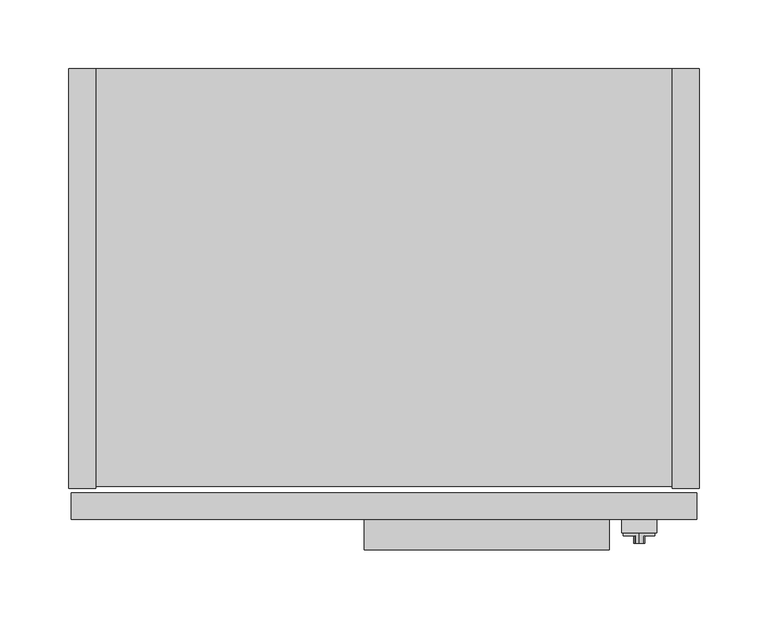
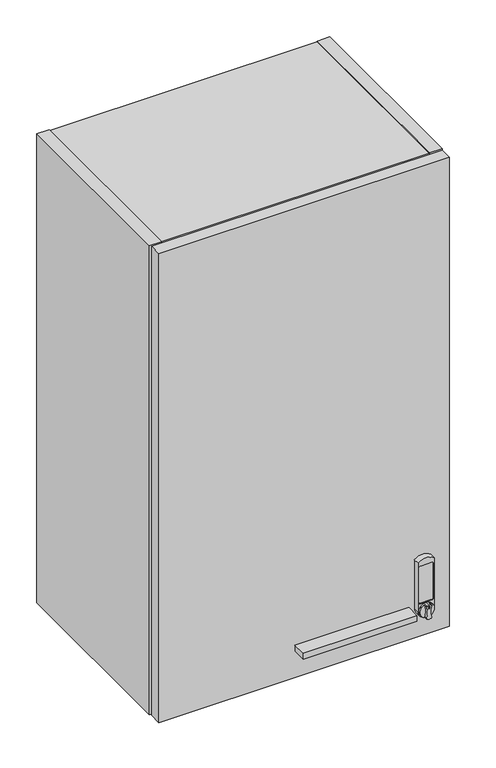
"""IFC4 building model written with IfcOpenShell, lengths in millimetres: furniture geometry."""

from ifc_helpers import new_model, si_unit, point, frame, frame_2d, origin, place, context, project, spatial, polyline, circle_curve, trimmed, segment, composite_curve, outline, extrude, source, transform, mapped, element, save
from ifc_brep_helpers import plane_surface, cylinder_surface, revolved_surface, advanced_brep


def furniture_3e39ebc3(model_context):
    return source(origin(), model_context, "Body", "SolidModel", [
        advanced_brep(
        [(413.7025, -344.551, 2244.5791484), (410.748813, -344.551, 2244.1909161), (409.8355336, -344.551, 2242.4339969), (409.8053845, -344.551, 2223.3009499), (410.748813, -344.551, 2222.1073808), (413.7025, -344.551, 2221.7191484), (416.656187, -344.551, 2222.1073808), (417.5996155, -344.551, 2223.3009499), (417.5694664, -344.551, 2242.4339969), (416.656187, -344.551, 2244.1909161), (412.9405, -344.551, 2242.5617878), (414.4645, -344.551, 2242.5617878), (414.4645, -344.551, 2239.2712263), (412.9405, -344.551, 2239.2712263), (413.7025, -336.931, 2244.5791484), (413.7025, -336.931, 2221.7191484), (416.656187, -339.1034403, 2244.1909161), (416.656187, -339.1034403, 2222.1073808), (410.748813, -339.1034403, 2222.1073808), (410.748813, -339.1034403, 2244.1909161), (409.8053845, -339.1034403, 2223.3009499), (409.8355336, -339.1034403, 2242.4339969), (417.5996155, -339.1034403, 2223.3009499), (417.5694664, -339.1034403, 2242.4339969), (412.9405, -343.3268699, 2239.2712263), (414.4645, -343.3268699, 2239.2712263), (414.4645, -343.3268699, 2242.5617878), (412.9405, -343.3268699, 2242.5617878)],
        [
            (0, 1, circle_curve(frame((413.7025, -344.551, 2233.1491484), z_axis=(0.0, -1.0, 0.0), x_axis=(0.0, 0.0, -1.0)), 11.43)),
            (1, 2, circle_curve(frame((411.28904, -344.551, 2242.7942665), z_axis=(0.0, -1.0, 0.0), x_axis=(0.0, 0.0, -1.0)), 1.4974896)),
            (2, 3, circle_curve(frame((371.4831576, -344.551, 2232.9278836), z_axis=(0.0, 1.0, 0.0), x_axis=(0.0, 0.0, -1.0)), 39.512921)),
            (3, 4, circle_curve(frame((411.28904, -344.551, 2223.5040303), z_axis=(0.0, -1.0, 0.0), x_axis=(0.0, 0.0, -1.0)), 1.4974896)),
            (4, 5, circle_curve(frame((413.7025, -344.551, 2233.1491484), z_axis=(0.0, -1.0, 0.0), x_axis=(0.0, 0.0, -1.0)), 11.43)),
            (5, 6, circle_curve(frame((413.7025, -344.551, 2233.1491484), z_axis=(0.0, -1.0, 0.0), x_axis=(0.0, 0.0, -1.0)), 11.43)),
            (6, 7, circle_curve(frame((416.11596, -344.551, 2223.5040303), z_axis=(0.0, -1.0, 0.0), x_axis=(0.0, 0.0, -1.0)), 1.4974896)),
            (7, 8, circle_curve(frame((455.9218424, -344.551, 2232.9278836), z_axis=(0.0, 1.0, 0.0), x_axis=(0.0, 0.0, -1.0)), 39.512921)),
            (8, 9, circle_curve(frame((416.11596, -344.551, 2242.7942665), z_axis=(0.0, -1.0, 0.0), x_axis=(0.0, 0.0, -1.0)), 1.4974896)),
            (9, 0, circle_curve(frame((413.7025, -344.551, 2233.1491484), z_axis=(0.0, -1.0, 0.0), x_axis=(0.0, 0.0, -1.0)), 11.43)),
            (10, 11, circle_curve(frame((413.7025, -344.551, 2242.5617878), z_axis=(0.0, 1.0, 0.0), x_axis=(0.0, 0.0, -1.0)), 0.762)),
            (11, 12),
            (12, 13, circle_curve(frame((413.7025, -344.551, 2239.2712263), z_axis=(0.0, 1.0, 0.0), x_axis=(0.0, 0.0, 1.0)), 0.762)),
            (13, 10),
            (14, 15, circle_curve(frame((413.7025, -336.931, 2233.1491484), z_axis=(0.0, 1.0, 0.0), x_axis=(0.0, 0.0, -1.0)), 11.43)),
            (15, 14, circle_curve(frame((413.7025, -336.931, 2233.1491484), z_axis=(0.0, 1.0, 0.0), x_axis=(0.0, 0.0, -1.0)), 11.43)),
            (14, 0),
            (9, 16),
            (16, 17, circle_curve(frame((413.7025, -339.1034403, 2233.1491484), z_axis=(0.0, 1.0, 0.0), x_axis=(0.0, 0.0, -1.0)), 11.43)),
            (17, 6),
            (5, 15),
            (4, 18),
            (18, 19, circle_curve(frame((413.7025, -339.1034403, 2233.1491484), z_axis=(0.0, 1.0, 0.0), x_axis=(0.0, 0.0, -1.0)), 11.43)),
            (19, 1),
            (20, 21, circle_curve(frame((371.4831576, -339.1034403, 2232.9278836), z_axis=(0.0, -1.0, 0.0), x_axis=(0.0, 0.0, -1.0)), 39.512921)),
            (21, 19, circle_curve(frame((411.28904, -339.1034403, 2242.7942665), z_axis=(0.0, 1.0, 0.0), x_axis=(0.0, 0.0, -1.0)), 1.4974896)),
            (18, 20, circle_curve(frame((411.28904, -339.1034403, 2223.5040303), z_axis=(0.0, 1.0, 0.0), x_axis=(0.0, 0.0, -1.0)), 1.4974896)),
            (22, 17, circle_curve(frame((416.11596, -339.1034403, 2223.5040303), z_axis=(0.0, 1.0, 0.0), x_axis=(0.0, 0.0, -1.0)), 1.4974896)),
            (16, 23, circle_curve(frame((416.11596, -339.1034403, 2242.7942665), z_axis=(0.0, 1.0, 0.0), x_axis=(0.0, 0.0, -1.0)), 1.4974896)),
            (23, 22, circle_curve(frame((455.9218424, -339.1034403, 2232.9278836), z_axis=(0.0, -1.0, 0.0), x_axis=(0.0, 0.0, -1.0)), 39.512921)),
            (3, 20),
            (21, 2),
            (23, 8),
            (7, 22),
            (24, 25, circle_curve(frame((413.7025, -343.3268699, 2239.2712263), z_axis=(0.0, -1.0, 0.0), x_axis=(0.0, 0.0, 1.0)), 0.762)),
            (25, 26),
            (26, 27, circle_curve(frame((413.7025, -343.3268699, 2242.5617878), z_axis=(0.0, -1.0, 0.0), x_axis=(0.0, 0.0, -1.0)), 0.762)),
            (27, 24),
            (27, 10),
            (13, 24),
            (26, 11),
            (25, 12),
        ],
        [
            plane_surface(frame((413.7025, -344.551, 2221.7191484), z_axis=(0.0, -1.0, 0.0), x_axis=(-1.0, 0.0, 0.0))),
            plane_surface(frame((413.7025, -336.931, 2221.7191484), z_axis=(0.0, 1.0, 0.0), x_axis=(1.0, 0.0, 0.0))),
            cylinder_surface(frame((413.7025, -336.931, 2233.1491484), z_axis=(0.0, -1.0, 0.0), x_axis=(0.0, 0.0, -1.0)), 11.43),
            plane_surface(frame((411.28904, -339.1034403, 2222.0065407), z_axis=(0.0, -1.0, 0.0), x_axis=(-1.0, 0.0, 0.0))),
            cylinder_surface(frame((411.28904, -339.1034403, 2223.5040303), z_axis=(0.0, 1.0, 0.0), x_axis=(0.0, 0.0, -1.0)), 1.4974896),
            cylinder_surface(frame((411.28904, -339.1034403, 2242.7942665), z_axis=(0.0, 1.0, 0.0), x_axis=(0.0, 0.0, -1.0)), 1.4974896),
            revolved_surface(polyline([(371.4831576, -344.551, 2193.4149626), (371.4831576, -339.1034403, 2193.4149626)]), (371.4831576, -339.1034403, 2232.9278836), (0.0, -1.0, 0.0)),
            revolved_surface(polyline([(455.9218424, -344.551, 2193.4149626), (455.9218424, -339.1034403, 2193.4149626)]), (455.9218424, -327.025, 2232.9278836), (0.0, -1.0, 0.0)),
            cylinder_surface(frame((416.11596, -327.025, 2242.7942665), z_axis=(0.0, 1.0, 0.0), x_axis=(0.0, 0.0, -1.0)), 1.4974896),
            cylinder_surface(frame((416.11596, -327.025, 2223.5040303), z_axis=(0.0, 1.0, 0.0), x_axis=(0.0, 0.0, -1.0)), 1.4974896),
            plane_surface(frame((412.9405, -343.3268699, 2318.3554451), z_axis=(0.0, -1.0, 0.0), x_axis=(0.0, 0.0, -1.0))),
            plane_surface(frame((412.9405, -344.551, 2239.2712263), z_axis=(1.0, 0.0, 0.0), x_axis=(0.0, 1.0, 0.0))),
            revolved_surface(polyline([(413.7025, -344.551, 2241.7997877999996), (413.7025, -343.3268699, 2241.7997877999996)]), (413.7025, -343.3268699, 2242.5617878), (0.0, -1.0, 0.0)),
            plane_surface(frame((414.4645, -344.551, 2242.5617878), z_axis=(-1.0, 0.0, 0.0), x_axis=(0.0, 1.0, 0.0))),
            revolved_surface(polyline([(413.7025, -344.551, 2240.0332263), (413.7025, -343.3268699, 2240.0332263)]), (413.7025, -343.3268699, 2239.2712263), (0.0, -1.0, 0.0)),
        ],
        [
            (0, [[1, 2, 3, 4, 5, 6, 7, 8, 9, 10], [11, 12, 13, 14]]),
            (1, [[15, 16]]),
            (2, [[17, -10, 18, 19, 20, -6, 21, -15]]),
            (2, [[-21, -5, 22, 23, 24, -1, -17, -16]]),
            (3, [[25, 26, -23, 27]]),
            (3, [[28, -19, 29, 30]]),
            (4, [[-22, -4, 31, -27]]),
            (5, [[32, -2, -24, -26]]),
            (6, [[-31, -3, -32, -25]]),
            (7, [[33, -8, 34, -30]]),
            (8, [[-18, -9, -33, -29]]),
            (9, [[-34, -7, -20, -28]]),
            (10, [[35, 36, 37, 38]]),
            (11, [[39, -14, 40, -38]]),
            (12, [[41, -11, -39, -37]]),
            (13, [[42, -12, -41, -36]]),
            (14, [[-40, -13, -42, -35]]),
        ],
    ),
        advanced_brep(
        [(401.0025, -336.931, 2313.7061718), (401.0025, -336.931, 2233.0156), (426.4025, -336.931, 2233.0156), (426.4025, -336.931, 2313.7061718), (425.1325, -336.931, 2248.3097734), (422.5925, -336.931, 2245.7697734), (404.8125, -336.931, 2245.7697734), (402.2725, -336.931, 2248.3097734), (402.2725, -336.931, 2304.9253259), (404.8125, -336.931, 2307.4653259), (422.5925, -336.931, 2307.4653259), (425.1325, -336.931, 2304.9253259), (401.0025, -327.025, 2313.7061718), (426.4025, -327.025, 2313.7061718), (426.4025, -327.025, 2233.0156), (401.0025, -327.025, 2233.0156), (422.5925, -335.4242162, 2307.4653259), (404.8125, -335.4242162, 2307.4653259), (402.2725, -335.4242162, 2304.9253259), (402.2725, -335.4242162, 2248.3097734), (404.8125, -335.4242162, 2245.7697734), (422.5925, -335.4242162, 2245.7697734), (425.1325, -335.4242162, 2248.3097734), (425.1325, -335.4242162, 2304.9253259)],
        [
            (0, 1),
            (1, 2, circle_curve(frame((413.7025, -336.931, 2233.0156), z_axis=(0.0, -1.0, 0.0), x_axis=(0.0, 0.0, -1.0)), 12.7)),
            (2, 3),
            (3, 0, circle_curve(frame((413.7025, -336.931, 2298.685087), z_axis=(0.0, -1.0, 0.0), x_axis=(0.0, 0.0, -1.0)), 19.6703582)),
            (4, 5, circle_curve(frame((422.5925, -336.931, 2248.3097734), z_axis=(0.0, 1.0, 0.0), x_axis=(0.0, 0.0, -1.0)), 2.54)),
            (5, 6),
            (6, 7, circle_curve(frame((404.8125, -336.931, 2248.3097734), z_axis=(0.0, 1.0, 0.0), x_axis=(0.0, 0.0, -1.0)), 2.54)),
            (7, 8),
            (8, 9, circle_curve(frame((404.8125, -336.931, 2304.9253259), z_axis=(0.0, 1.0, 0.0), x_axis=(0.0, 0.0, -1.0)), 2.54)),
            (9, 10),
            (10, 11, circle_curve(frame((422.5925, -336.931, 2304.9253259), z_axis=(0.0, 1.0, 0.0), x_axis=(0.0, 0.0, -1.0)), 2.54)),
            (11, 4),
            (12, 13, circle_curve(frame((413.7025, -327.025, 2298.685087), z_axis=(0.0, 1.0, 0.0), x_axis=(0.0, 0.0, -1.0)), 19.6703582)),
            (13, 14),
            (14, 15, circle_curve(frame((413.7025, -327.025, 2233.0156), z_axis=(0.0, 1.0, 0.0), x_axis=(0.0, 0.0, -1.0)), 12.7)),
            (15, 12),
            (2, 14),
            (13, 3),
            (0, 12),
            (15, 1),
            (16, 17),
            (17, 18, circle_curve(frame((404.8125, -335.4242162, 2304.9253259), z_axis=(0.0, -1.0, 0.0), x_axis=(0.0, 0.0, -1.0)), 2.54)),
            (18, 19),
            (19, 20, circle_curve(frame((404.8125, -335.4242162, 2248.3097734), z_axis=(0.0, -1.0, 0.0), x_axis=(0.0, 0.0, -1.0)), 2.54)),
            (20, 21),
            (21, 22, circle_curve(frame((422.5925, -335.4242162, 2248.3097734), z_axis=(0.0, -1.0, 0.0), x_axis=(0.0, 0.0, -1.0)), 2.54)),
            (22, 23),
            (23, 16, circle_curve(frame((422.5925, -335.4242162, 2304.9253259), z_axis=(0.0, -1.0, 0.0), x_axis=(0.0, 0.0, -1.0)), 2.54)),
            (22, 4),
            (11, 23),
            (20, 6),
            (5, 21),
            (18, 8),
            (7, 19),
            (16, 10),
            (9, 17),
        ],
        [
            plane_surface(frame((413.7025, -336.931, 2279.0147288), z_axis=(0.0, -1.0, 0.0), x_axis=(-1.0, 0.0, 0.0))),
            plane_surface(frame((413.7025, -327.025, 2279.0147288), z_axis=(0.0, 1.0, 0.0), x_axis=(1.0, 0.0, 0.0))),
            plane_surface(frame((426.4025, -336.931, 2313.7061718), z_axis=(1.0, 0.0, 0.0), x_axis=(0.0, 1.0, 0.0))),
            plane_surface(frame((401.0025, -336.931, 2233.0156), z_axis=(-1.0, 0.0, 2.7958673908800244e-12), x_axis=(0.0, 1.0, 0.0))),
            plane_surface(frame((422.5925, -335.4242162, 2302.3853259), z_axis=(0.0, -1.0, 0.0), x_axis=(1.0, 0.0, 0.0))),
            cylinder_surface(frame((413.7025, -327.025, 2233.0156), z_axis=(0.0, -1.0, 0.0), x_axis=(0.0, 0.0, -1.0)), 12.7),
            plane_surface(frame((425.1325, -343.3268699, 2304.9253259), z_axis=(-1.0, 0.0, -3.0438306120267246e-12), x_axis=(0.0, 1.0, 0.0))),
            plane_surface(frame((422.5925, -343.3268699, 2245.7697734), z_axis=(0.0, 0.0, 1.0), x_axis=(0.0, 1.0, 0.0))),
            plane_surface(frame((402.2725, -343.3268699, 2248.3097734), z_axis=(1.0, 0.0, 0.0), x_axis=(0.0, 1.0, 0.0))),
            plane_surface(frame((404.8125, -343.3268699, 2307.4653259), z_axis=(0.0, 0.0, -1.0), x_axis=(0.0, 1.0, 0.0))),
            revolved_surface(polyline([(422.5925, -336.931, 2302.3853259), (422.5925, -335.4242162, 2302.3853259)]), (422.5925, -335.4242162, 2304.9253259), (0.0, -1.0, 0.0)),
            revolved_surface(polyline([(422.5925, -336.931, 2245.7697734), (422.5925, -335.4242162, 2245.7697734)]), (422.5925, -335.4242162, 2248.3097734), (0.0, -1.0, 0.0)),
            revolved_surface(polyline([(404.8125, -336.931, 2245.7697734), (404.8125, -335.4242162, 2245.7697734)]), (404.8125, -335.4242162, 2248.3097734), (0.0, -1.0, 0.0)),
            revolved_surface(polyline([(404.8125, -336.931, 2302.3853259), (404.8125, -335.4242162, 2302.3853259)]), (404.8125, -335.4242162, 2304.9253259), (0.0, -1.0, 0.0)),
            cylinder_surface(frame((413.7025, -327.025, 2298.685087), z_axis=(0.0, -1.0, 0.0), x_axis=(0.0, 0.0, -1.0)), 19.6703582),
        ],
        [
            (0, [[1, 2, 3, 4], [5, 6, 7, 8, 9, 10, 11, 12]]),
            (1, [[13, 14, 15, 16]]),
            (2, [[17, -14, 18, -3]]),
            (3, [[19, -16, 20, -1]]),
            (4, [[21, 22, 23, 24, 25, 26, 27, 28]]),
            (5, [[-20, -15, -17, -2]]),
            (6, [[29, -12, 30, -27]]),
            (7, [[31, -6, 32, -25]]),
            (8, [[33, -8, 34, -23]]),
            (9, [[35, -10, 36, -21]]),
            (10, [[-30, -11, -35, -28]]),
            (11, [[-32, -5, -29, -26]]),
            (12, [[-34, -7, -31, -24]]),
            (13, [[-36, -9, -33, -22]]),
            (14, [[-18, -13, -19, -4]]),
        ],
    ),
        extrude(outline(polyline([(392.1125, -349.25), (214.3125, -349.25), (214.3125, -327.025), (392.1125, -327.025), (392.1125, -349.25)])), frame((0.0, 0.0, 2228.2531), z_axis=(0.0, 0.0, 1.0), x_axis=(1.0, 0.0, 0.0)), (0.0, 0.0, 1.0), 9.525),
        extrude(outline(polyline([(19.304, -304.546), (0.0, -304.546), (0.0, 0.0), (19.304, 0.0), (19.304, -304.546)])), frame((0.0, 0.0, 2184.4), z_axis=(0.0, 0.0, 1.0), x_axis=(1.0, 0.0, 0.0)), (0.0, 0.0, 1.0), 774.7),
        extrude(outline(composite_curve([segment(polyline([(-304.546, 2184.4), (-304.546, 2959.1), (0.0, 2959.1), (0.0, 2876.042), (-9.5254487, 2876.042)]), True, "CONTINUOUS"), segment(trimmed(circle_curve(frame_2d((-9.5254487, 2872.8674487)), 3.1745513), [point((-9.5254487, 2876.042))], [point((-12.7, 2872.8674487))], True, "CARTESIAN"), True, "CONTINUOUS"), segment(polyline([(-12.7, 2872.8674487), (-12.7, 2771.267)]), True, "CONTINUOUS"), segment(trimmed(circle_curve(frame_2d((-9.525, 2771.267)), 3.175), [point((-12.7, 2771.267))], [point((-9.525, 2768.092))], True, "CARTESIAN"), True, "CONTINUOUS"), segment(polyline([(-9.525, 2768.092), (0.0, 2768.092), (0.0, 2184.4), (-304.546, 2184.4)]), True, "CONTINUOUS")], self_intersect=False)), frame((437.896, 0.0, 0.0), z_axis=(1.0, 0.0, 0.0), x_axis=(0.0, 1.0, 0.0)), (0.0, 0.0, 1.0), 19.304),
        extrude(outline(polyline([(437.896, -303.022), (19.304, -303.022), (19.304, -12.7), (437.896, -12.7), (437.896, -303.022)])), frame((0.0, 0.0, 2185.924), z_axis=(0.0, 0.0, 1.0), x_axis=(1.0, 0.0, 0.0)), (0.0, 0.0, 1.0), 19.304),
        extrude(outline(polyline([(437.896, -12.7), (437.896, -32.004), (19.304, -32.004), (19.304, -12.7), (437.896, -12.7)])), frame((0.0, 0.0, 2205.228), z_axis=(0.0, 0.0, 1.0), x_axis=(1.0, 0.0, 0.0)), (0.0, 0.0, 1.0), 734.568),
        extrude(outline(polyline([(437.896, -303.022), (19.304, -303.022), (19.304, 0.0), (437.896, 0.0), (437.896, -303.022)])), frame((0.0, 0.0, 2939.796), z_axis=(0.0, 0.0, 1.0), x_axis=(1.0, 0.0, 0.0)), (0.0, 0.0, 1.0), 17.78),
        extrude(outline(polyline([(455.6125, -327.025), (1.5875, -327.025), (1.5875, -307.721), (455.6125, -307.721), (455.6125, -327.025)])), frame((0.0, 0.0, 2184.4), z_axis=(0.0, 0.0, 1.0), x_axis=(1.0, 0.0, 0.0)), (0.0, 0.0, 1.0), 774.7),
    ])


if __name__ == "__main__":
    model = new_model("IFC4")
    model_context = context("Model", 3, world=origin())
    ifc_project = project(units=[si_unit("LENGTHUNIT", "METRE", prefix="MILLI")], contexts=[model_context])
    site = spatial("IfcSite", under=ifc_project)
    building = spatial("IfcBuilding", under=site)
    placement = place(None, origin())
    furniture_shape = furniture_3e39ebc3(model_context)
    element("IfcFurniture", 1, at=placement, inside=building, context=model_context, shape_type="MappedRepresentation", body=[
        mapped(furniture_shape, transform((0.0, 0.0, 0.0), x_axis=(1.0, 0.0, 0.0), y_axis=(0.0, 1.0, 0.0), z_axis=(0.0, 0.0, 1.0))),
    ])
    save(model, "model.ifc")
